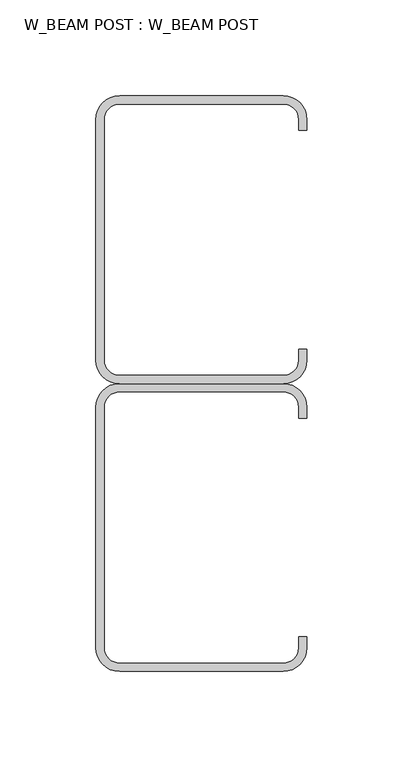
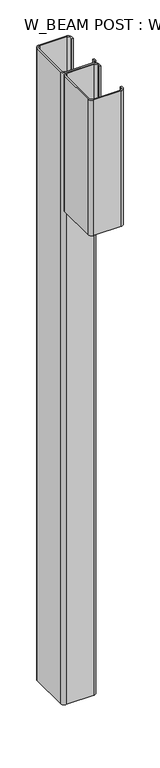
"""IFC4 building model written with IfcOpenShell, lengths in millimetres: proxy geometry, W_BEAM POST : W_BEAM POST."""

from ifc_helpers import new_model, si_unit, point, frame, frame_2d, origin, place, context, project, spatial, polyline, circle_curve, trimmed, segment, composite_curve, outline, extrude, source, transform, mapped, element, save


def w_beam_post_w_beam_post_d697f2bc(model_context):
    return source(origin(), model_context, "Body", "SweptSolid", [
        extrude(outline(composite_curve([segment(trimmed(circle_curve(frame_2d((-42.7, 287.7)), 12.3), [point((-55.0, 287.7))], [point((-42.7, 300.0))], False, "CARTESIAN"), True, "CONTINUOUS"), segment(polyline([(-42.7, 300.0), (42.7, 299.9999999)]), True, "CONTINUOUS"), segment(trimmed(circle_curve(frame_2d((42.7, 287.6999999)), 12.3), [point((42.7, 299.9999999))], [point((54.9999999, 287.6999999))], False, "CARTESIAN"), True, "CONTINUOUS"), segment(polyline([(54.9999999, 287.6999999), (55.0, 281.9999999), (50.7, 281.9999999), (50.7, 287.6999999)]), True, "CONTINUOUS"), segment(trimmed(circle_curve(frame_2d((42.6999999, 287.6999999)), 8.0), [point((50.7, 287.6999999))], [point((42.6999999, 295.6999999))], True, "CARTESIAN"), True, "CONTINUOUS"), segment(polyline([(42.6999999, 295.6999999), (-42.7, 295.6999999)]), True, "CONTINUOUS"), segment(trimmed(circle_curve(frame_2d((-42.7, 287.6999999)), 8.0), [point((-42.7, 295.6999999))], [point((-50.6999999, 287.6999999))], True, "CARTESIAN"), True, "CONTINUOUS"), segment(polyline([(-50.6999999, 287.6999999), (-50.7, 162.3)]), True, "CONTINUOUS"), segment(trimmed(circle_curve(frame_2d((-42.6999999, 162.3)), 8.0), [point((-50.7, 162.3))], [point((-42.6999999, 154.2999999))], True, "CARTESIAN"), True, "CONTINUOUS"), segment(polyline([(-42.6999999, 154.2999999), (42.7, 154.2999999)]), True, "CONTINUOUS"), segment(trimmed(circle_curve(frame_2d((42.7, 162.2999999)), 8.0), [point((42.7, 154.2999999))], [point((50.6999999, 162.2999999))], True, "CARTESIAN"), True, "CONTINUOUS"), segment(polyline([(50.6999999, 162.2999999), (50.7, 167.9999999), (55.0, 167.9999999), (55.0, 162.2999999)]), True, "CONTINUOUS"), segment(trimmed(circle_curve(frame_2d((42.7, 162.2999999)), 12.3), [point((55.0, 162.2999999))], [point((42.7, 150.0))], False, "CARTESIAN"), True, "CONTINUOUS"), segment(polyline([(42.7, 150.0), (-42.7, 150.0)]), True, "CONTINUOUS"), segment(trimmed(circle_curve(frame_2d((-42.7, 162.2999999)), 12.3), [point((-42.7, 150.0))], [point((-54.9999999, 162.2999999))], False, "CARTESIAN"), True, "CONTINUOUS"), segment(polyline([(-54.9999999, 162.2999999), (-55.0, 287.7)]), True, "CONTINUOUS")], self_intersect=False)), frame((0.0, 0.0, -1256.0), z_axis=(0.0, 0.0, 1.0), x_axis=(1.0, 0.0, 0.0)), (0.0, 0.0, 1.0), 2100.0),
        extrude(outline(composite_curve([segment(polyline([(-55.0, 12.3), (-55.0, 137.7)]), True, "CONTINUOUS"), segment(trimmed(circle_curve(frame_2d((-42.7, 137.7)), 12.3), [point((-55.0, 137.7))], [point((-42.7, 150.0))], False, "CARTESIAN"), True, "CONTINUOUS"), segment(polyline([(-42.7, 150.0), (42.7, 149.9999999)]), True, "CONTINUOUS"), segment(trimmed(circle_curve(frame_2d((42.7, 137.7)), 12.3), [point((42.7, 149.9999999))], [point((55.0, 137.7))], False, "CARTESIAN"), True, "CONTINUOUS"), segment(polyline([(55.0, 137.7), (55.0, 132.0), (50.7, 132.0), (50.7, 137.7)]), True, "CONTINUOUS"), segment(trimmed(circle_curve(frame_2d((42.7, 137.7)), 8.0), [point((50.7, 137.7))], [point((42.7, 145.7))], True, "CARTESIAN"), True, "CONTINUOUS"), segment(polyline([(42.7, 145.7), (-42.6999999, 145.7)]), True, "CONTINUOUS"), segment(trimmed(circle_curve(frame_2d((-42.6999999, 137.6999999)), 8.0), [point((-42.6999999, 145.7))], [point((-50.7, 137.6999999))], True, "CARTESIAN"), True, "CONTINUOUS"), segment(polyline([(-50.7, 137.6999999), (-50.7, 12.3)]), True, "CONTINUOUS"), segment(trimmed(circle_curve(frame_2d((-42.7, 12.3)), 8.0), [point((-50.7, 12.3))], [point((-42.7, 4.3))], True, "CARTESIAN"), True, "CONTINUOUS"), segment(polyline([(-42.7, 4.3), (42.6999999, 4.3)]), True, "CONTINUOUS"), segment(trimmed(circle_curve(frame_2d((42.6999999, 12.3)), 8.0), [point((42.6999999, 4.3))], [point((50.7, 12.3))], True, "CARTESIAN"), True, "CONTINUOUS"), segment(polyline([(50.7, 12.3), (50.7, 18.0), (55.0, 18.0), (55.0, 12.3)]), True, "CONTINUOUS"), segment(trimmed(circle_curve(frame_2d((42.7, 12.3)), 12.3), [point((55.0, 12.3))], [point((42.7, 0.0))], False, "CARTESIAN"), True, "CONTINUOUS"), segment(polyline([(42.7, 0.0), (-42.7, 0.0)]), True, "CONTINUOUS"), segment(trimmed(circle_curve(frame_2d((-42.7, 12.3)), 12.3), [point((-42.7, 0.0))], [point((-55.0, 12.3))], False, "CARTESIAN"), True, "CONTINUOUS")], self_intersect=False)), frame((0.0, 0.0, 394.0), z_axis=(0.0, 0.0, 1.0), x_axis=(1.0, 0.0, 0.0)), (0.0, 0.0, 1.0), 450.0),
    ])


if __name__ == "__main__":
    model = new_model("IFC4")
    model_context = context("Model", 3, world=origin())
    ifc_project = project(units=[si_unit("LENGTHUNIT", "METRE", prefix="MILLI")], contexts=[model_context])
    site = spatial("IfcSite", under=ifc_project)
    building = spatial("IfcBuilding", under=site)
    placement = place(None, origin())
    w_beam_post_w_beam_post_shape = w_beam_post_w_beam_post_d697f2bc(model_context)
    element("IfcBuildingElementProxy", 1, Name="W_BEAM POST : W_BEAM POST", ObjectType="W_BEAM POST : W_BEAM POST", at=placement, inside=building, context=model_context, shape_type="MappedRepresentation", body=[
        mapped(w_beam_post_w_beam_post_shape, transform((0.0, 0.0, 0.0), x_axis=(1.0, 0.0, 0.0), y_axis=(0.0, 1.0, 0.0), z_axis=(0.0, 0.0, 1.0))),
    ])
    save(model, "model.ifc")
